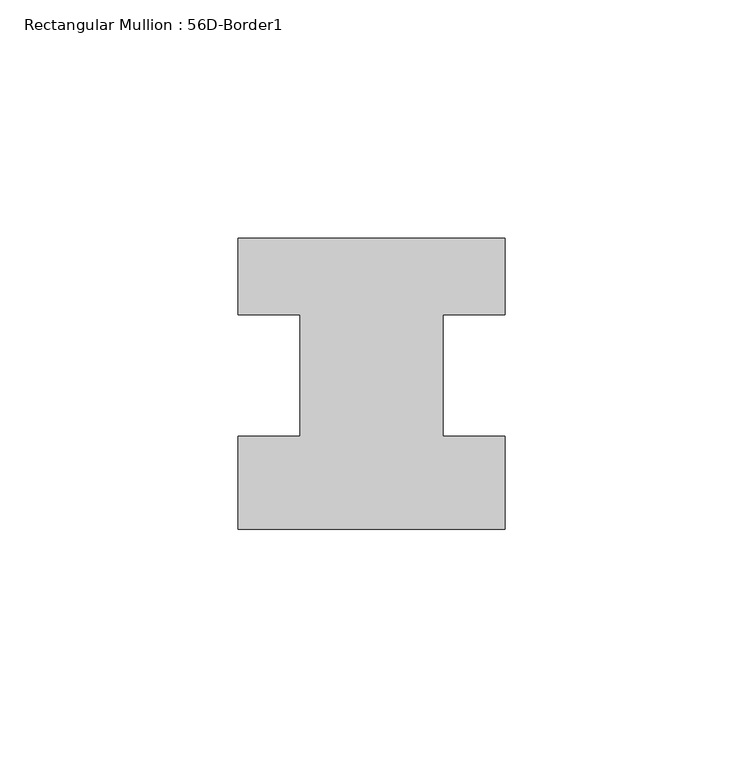
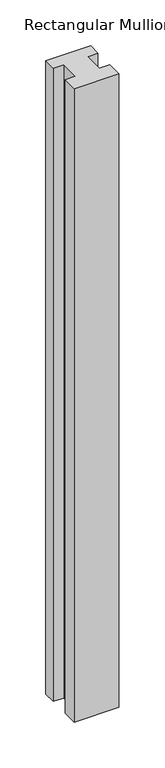
"""IFC4 building model written with IfcOpenShell, lengths in millimetres: member geometry, Rectangular Mullion : 56D-Border1."""

from ifc_helpers import new_model, si_unit, frame, origin, place, context, project, spatial, polyline, outline, extrude, source, transform, mapped, element, save


def rectangular_mullion_56d_border1_88b171ad(model_context):
    return source(origin(), model_context, "Body", "SweptSolid", [
        extrude(outline(polyline([(-56.0, -20.0), (-56.0, -0.5), (-43.0, -0.5), (-43.0, 25.0), (-56.0, 25.0), (-56.0, 41.0), (0.0, 41.0), (0.0, 25.0), (-13.0, 25.0), (-13.0, -0.5), (0.0, -0.5), (0.0, -20.0), (-56.0, -20.0)])), frame((0.0, 0.0, -840.4391027), z_axis=(0.0, 0.0, 1.0), x_axis=(1.0, 0.0, 0.0)), (0.0, 0.0, 1.0), 840.4391027),
    ])


if __name__ == "__main__":
    model = new_model("IFC4")
    model_context = context("Model", 3, world=origin())
    ifc_project = project(units=[si_unit("LENGTHUNIT", "METRE", prefix="MILLI")], contexts=[model_context])
    site = spatial("IfcSite", under=ifc_project)
    building = spatial("IfcBuilding", under=site)
    placement = place(None, origin())
    rectangular_mullion_56d_border1_shape = rectangular_mullion_56d_border1_88b171ad(model_context)
    element("IfcMember", 1, ObjectType="Rectangular Mullion : 56D-Border1", at=placement, inside=building, context=model_context, shape_type="MappedRepresentation", body=[
        mapped(rectangular_mullion_56d_border1_shape, transform((0.0, 0.0, 0.0), x_axis=(1.0, 0.0, 0.0), y_axis=(0.0, 1.0, 0.0), z_axis=(0.0, 0.0, 1.0))),
    ])
    save(model, "model.ifc")
